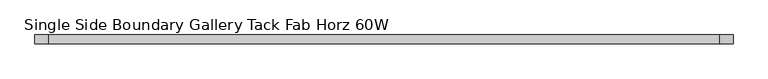
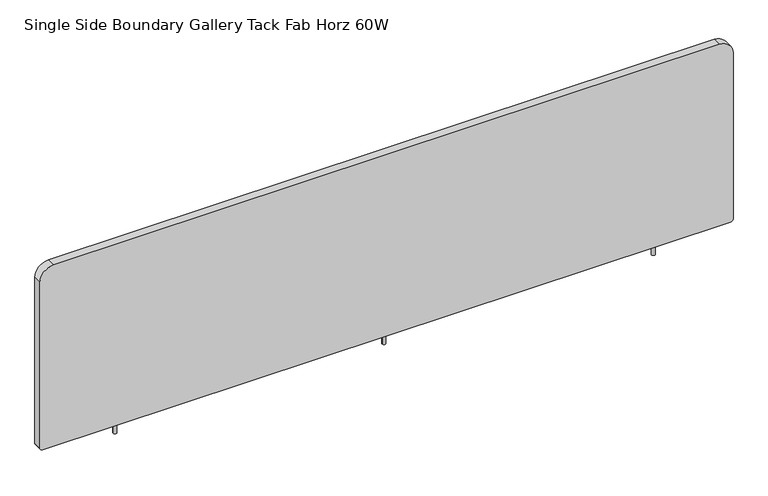
"""IFC4 building model written with IfcOpenShell, lengths in millimetres: furniture geometry, Single Side Boundary Gallery Tack Fab Horz 60W."""

from ifc_helpers import new_model, si_unit, point, frame, frame_2d, origin, place, context, project, spatial, polyline, circle_curve, trimmed, segment, composite_curve, outline, extrude, source, transform, mapped, element, save


def single_side_boundary_gallery_tack_fab_horz_60w_23697419(model_context):
    return source(origin(), model_context, "Body", "SweptSolid", [
        extrude(outline(composite_curve([segment(trimmed(circle_curve(frame_2d((758.063, 0.0)), 3.81), [point((754.253, 0.0))], [point((761.873, 0.0))], False, "CARTESIAN"), True, "CONTINUOUS"), segment(trimmed(circle_curve(frame_2d((758.063, 0.0)), 3.81), [point((761.873, 0.0))], [point((754.253, 0.0))], False, "CARTESIAN"), True, "CONTINUOUS")], self_intersect=False)), frame((0.0, 0.0, 433.4256), z_axis=(0.0, 0.0, 1.0), x_axis=(1.0, 0.0, 0.0)), (0.0, 0.0, 1.0), 26.3906),
        extrude(outline(composite_curve([segment(trimmed(circle_curve(frame_2d((1346.835, 0.0)), 3.81), [point((1343.025, 0.0))], [point((1350.645, 0.0))], False, "CARTESIAN"), True, "CONTINUOUS"), segment(trimmed(circle_curve(frame_2d((1346.835, 0.0)), 3.81), [point((1350.645, 0.0))], [point((1343.025, 0.0))], False, "CARTESIAN"), True, "CONTINUOUS")], self_intersect=False)), frame((0.0, 0.0, 433.4256), z_axis=(0.0, 0.0, 1.0), x_axis=(1.0, 0.0, 0.0)), (0.0, 0.0, 1.0), 26.3906),
        extrude(outline(composite_curve([segment(trimmed(circle_curve(frame_2d((462.6102, 6.35)), 6.35), [point((462.6102, 0.0))], [point((456.2602, 6.35))], False, "CARTESIAN"), True, "CONTINUOUS"), segment(polyline([(456.2602, 6.35), (456.2602, 1509.776)]), True, "CONTINUOUS"), segment(trimmed(circle_curve(frame_2d((462.6102, 1509.776)), 6.35), [point((456.2602, 1509.776))], [point((462.6102, 1516.126))], False, "CARTESIAN"), True, "CONTINUOUS"), segment(polyline([(462.6102, 1516.126), (845.693, 1516.126)]), True, "CONTINUOUS"), segment(trimmed(circle_curve(frame_2d((845.693, 1486.2302)), 29.8958), [point((845.693, 1516.126))], [point((875.5888, 1486.2302))], False, "CARTESIAN"), True, "CONTINUOUS"), segment(polyline([(875.5888, 1486.2302), (875.5888, 29.8958)]), True, "CONTINUOUS"), segment(trimmed(circle_curve(frame_2d((845.693, 29.8958)), 29.8958), [point((875.5888, 29.8958))], [point((845.693, 0.0))], False, "CARTESIAN"), True, "CONTINUOUS"), segment(polyline([(845.693, 0.0), (462.6102, 0.0)]), True, "CONTINUOUS")], self_intersect=False)), frame((0.0, -9.5295067, 0.0), z_axis=(0.0, 1.0, 0.0), x_axis=(0.0, 0.0, 1.0)), (0.0, 0.0, 1.0), 19.05),
        extrude(outline(composite_curve([segment(trimmed(circle_curve(frame_2d((169.291, 0.0)), 3.81), [point((165.481, 0.0))], [point((173.101, 0.0))], False, "CARTESIAN"), True, "CONTINUOUS"), segment(trimmed(circle_curve(frame_2d((169.291, 0.0)), 3.81), [point((173.101, 0.0))], [point((165.481, 0.0))], False, "CARTESIAN"), True, "CONTINUOUS")], self_intersect=False)), frame((0.0, 0.0, 433.4256), z_axis=(0.0, 0.0, 1.0), x_axis=(1.0, 0.0, 0.0)), (0.0, 0.0, 1.0), 26.3906),
    ])


if __name__ == "__main__":
    model = new_model("IFC4")
    model_context = context("Model", 3, world=origin())
    ifc_project = project(units=[si_unit("LENGTHUNIT", "METRE", prefix="MILLI")], contexts=[model_context])
    site = spatial("IfcSite", under=ifc_project)
    building = spatial("IfcBuilding", under=site)
    placement = place(None, origin())
    single_side_boundary_gallery_tack_fab_horz_60w_shape = single_side_boundary_gallery_tack_fab_horz_60w_23697419(model_context)
    element("IfcFurniture", 1, ObjectType="Single Side Boundary Gallery Tack Fab Horz 60W", at=placement, inside=building, context=model_context, shape_type="MappedRepresentation", body=[
        mapped(single_side_boundary_gallery_tack_fab_horz_60w_shape, transform((0.0, 0.0, 0.0), x_axis=(1.0, 0.0, 0.0), y_axis=(0.0, 1.0, 0.0), z_axis=(0.0, 0.0, 1.0))),
    ])
    save(model, "model.ifc")
